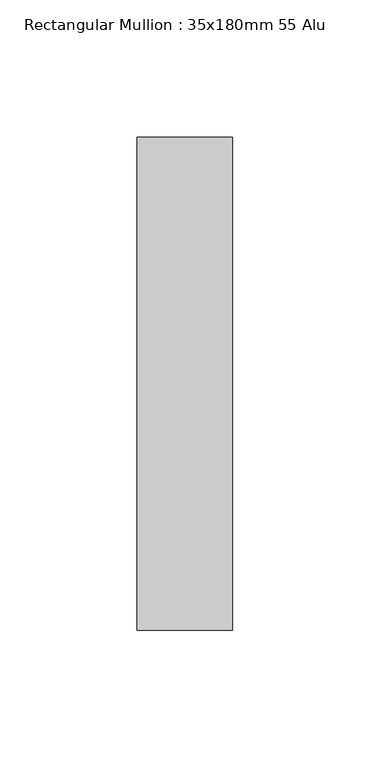
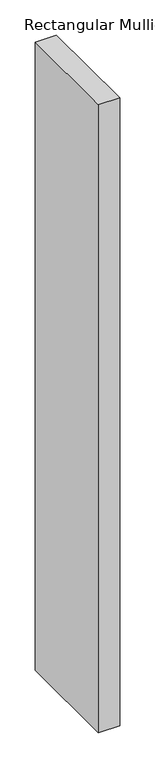
"""IFC4 building model written with IfcOpenShell, lengths in millimetres: member geometry, Rectangular Mullion : 35x180mm 55 Alu."""

from ifc_helpers import new_model, si_unit, frame, origin, place, context, project, spatial, polyline, outline, extrude, source, transform, mapped, element, save


def rectangular_mullion_35x180mm_55_alu_770d9aff(model_context):
    return source(origin(), model_context, "Body", "SweptSolid", [
        extrude(outline(polyline([(0.0, 35.0), (0.0, -145.0), (-35.0, -145.0), (-35.0, 35.0), (0.0, 35.0)])), frame((0.0, 0.0, -1091.0063259), z_axis=(0.0, 0.0, 1.0), x_axis=(1.0, 0.0, 0.0)), (0.0, 0.0, 1.0), 1091.0063259),
    ])


if __name__ == "__main__":
    model = new_model("IFC4")
    model_context = context("Model", 3, world=origin())
    ifc_project = project(units=[si_unit("LENGTHUNIT", "METRE", prefix="MILLI")], contexts=[model_context])
    site = spatial("IfcSite", under=ifc_project)
    building = spatial("IfcBuilding", under=site)
    placement = place(None, origin())
    rectangular_mullion_35x180mm_55_alu_shape = rectangular_mullion_35x180mm_55_alu_770d9aff(model_context)
    element("IfcMember", 1, ObjectType="Rectangular Mullion : 35x180mm 55 Alu", at=placement, inside=building, context=model_context, shape_type="MappedRepresentation", body=[
        mapped(rectangular_mullion_35x180mm_55_alu_shape, transform((0.0, 0.0, 0.0), x_axis=(1.0, 0.0, 0.0), y_axis=(0.0, 1.0, 0.0), z_axis=(0.0, 0.0, 1.0))),
    ])
    save(model, "model.ifc")
